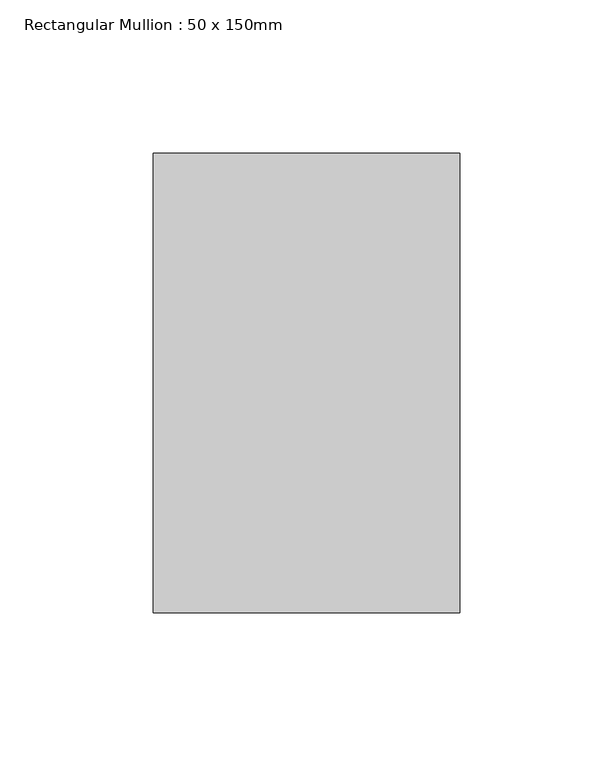
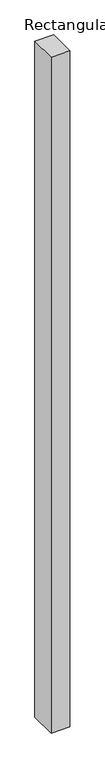
"""IFC4 building model written with IfcOpenShell, lengths in millimetres: member geometry, Rectangular Mullion : 50 x 150mm."""

from ifc_helpers import new_model, si_unit, frame, origin, place, context, project, spatial, polyline, outline, extrude, source, transform, mapped, element, save


def rectangular_mullion_50_x_150mm_a283a55b(model_context):
    return source(origin(), model_context, "Body", "SweptSolid", [
        extrude(outline(polyline([(50.0, 75.0), (50.0, -75.0), (-50.0, -75.0), (-50.0, 75.0), (50.0, 75.0)])), frame((0.0, 0.0, -3840.5528234), z_axis=(0.0, 0.0, 1.0), x_axis=(1.0, 0.0, 0.0)), (0.0, 0.0, 1.0), 3840.5528234),
    ])


if __name__ == "__main__":
    model = new_model("IFC4")
    model_context = context("Model", 3, world=origin())
    ifc_project = project(units=[si_unit("LENGTHUNIT", "METRE", prefix="MILLI")], contexts=[model_context])
    site = spatial("IfcSite", under=ifc_project)
    building = spatial("IfcBuilding", under=site)
    placement = place(None, origin())
    rectangular_mullion_50_x_150mm_shape = rectangular_mullion_50_x_150mm_a283a55b(model_context)
    element("IfcMember", 1, ObjectType="Rectangular Mullion : 50 x 150mm", at=placement, inside=building, context=model_context, shape_type="MappedRepresentation", body=[
        mapped(rectangular_mullion_50_x_150mm_shape, transform((0.0, 0.0, 0.0), x_axis=(1.0, 0.0, 0.0), y_axis=(0.0, 1.0, 0.0), z_axis=(0.0, 0.0, 1.0))),
    ])
    save(model, "model.ifc")
